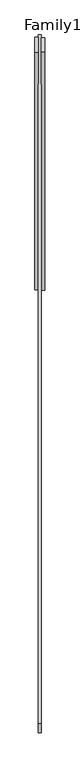
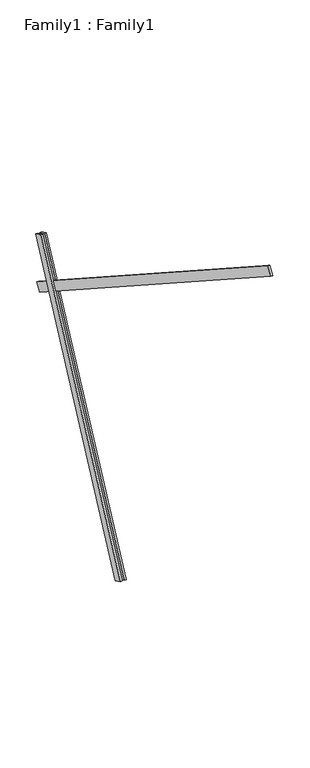
"""IFC4 building model written with IfcOpenShell, lengths in millimetres: proxy geometry, Family1 : Family1."""

import ifcopenshell
import ifcopenshell.guid

model = None  # the IFC model being written
_history = None  # IfcOwnerHistory: only IFC2X3 demands one
_inside = {}  # id of a spatial element -> (the spatial element, [elements in it])
_under = {}  # id of a project, library or spatial element -> (it, [spatial elements below it])
_declared = {}  # id of a project -> (the project, [libraries it declares])
_typed = {}  # id of a type object -> (the type object, [elements of that type])
_made_of = {}  # id of a material, layer set ... -> (it, [elements and type objects made of it])


def new_model(schema):
    """Start an empty IFC model of exactly this schema.

    Asked for "IFC4X3", IfcOpenShell would pick the latest addendum, in which some entities
    have other attributes; the version numbers below select the first issue.
    IFC2X3 requires an IfcOwnerHistory on every rooted entity: one is made here for all.
    """
    global model, _history
    if schema == "IFC4X3":
        model = ifcopenshell.file(schema_version=(4, 3, 0, 0))
    else:
        model = ifcopenshell.file(schema=schema)
    _inside.clear()
    _under.clear()
    _declared.clear()
    _typed.clear()
    _made_of.clear()
    _history = None
    if model.schema == "IFC2X3":
        org = make("IfcOrganization", Name="unknown")
        user = make(
            "IfcPersonAndOrganization",
            ThePerson=make("IfcPerson", FamilyName="unknown"),
            TheOrganization=org,
        )
        app = make(
            "IfcApplication",
            ApplicationDeveloper=org,
            Version="unknown",
            ApplicationFullName="unknown",
            ApplicationIdentifier="unknown",
        )
        _history = make(
            "IfcOwnerHistory",
            OwningUser=user,
            OwningApplication=app,
            ChangeAction="ADDED",
            CreationDate=0,
        )
    return model


def make(cls, **values):
    """One entity of the class cls with the attributes given. An attribute that is None is left unset."""
    return model.create_entity(
        cls, **{name: value for name, value in values.items() if value is not None}
    )


def rooted(cls, **values):
    """An entity with a GlobalId (a new one), such as an element, a storey or a relation."""
    return make(cls, GlobalId=ifcopenshell.guid.new(), OwnerHistory=_history, **values)


def si_unit(unit_type, name, prefix=None):
    """IfcSIUnit, for example si_unit("LENGTHUNIT", "METRE", prefix="MILLI")."""
    return make("IfcSIUnit", UnitType=unit_type, Prefix=prefix, Name=name)


def assignment(units):
    """IfcUnitAssignment: the units of a project."""
    return None if units is None else make("IfcUnitAssignment", Units=units)


def point(xyz):
    """IfcCartesianPoint."""
    return None if xyz is None else make("IfcCartesianPoint", Coordinates=xyz)


def direction(xyz):
    """IfcDirection."""
    return None if xyz is None else make("IfcDirection", DirectionRatios=xyz)


def frame(location, z_axis=None, x_axis=None):
    """IfcAxis2Placement3D, a coordinate frame: its origin and axes. An axis left out is left unset."""
    return make(
        "IfcAxis2Placement3D",
        Location=point(location),
        Axis=direction(z_axis),
        RefDirection=direction(x_axis),
    )


def origin():
    """The frame at (0, 0, 0) with its axes left unset."""
    return frame((0.0, 0.0, 0.0))


def place(relative_to, where):
    """IfcLocalPlacement: puts the frame where relative to a parent placement (None: the world)."""
    return make(
        "IfcLocalPlacement", PlacementRelTo=relative_to, RelativePlacement=where
    )


def context(
    kind, dimensions, precision=None, world=None, true_north=None, identifier=None
):
    """IfcGeometricRepresentationContext, for example the 3D "Model" context."""
    return make(
        "IfcGeometricRepresentationContext",
        ContextIdentifier=identifier,
        ContextType=kind,
        CoordinateSpaceDimension=dimensions,
        Precision=precision,
        WorldCoordinateSystem=world,
        TrueNorth=true_north,
    )


def project(units=None, contexts=None):
    """IfcProject with its units and contexts."""
    return rooted(
        "IfcProject",
        Name="project",
        RepresentationContexts=contexts,
        UnitsInContext=assignment(units),
    )


def spatial(cls, under=None, at=None, **own):
    """A site, building, storey or space (cls), placed at a placement, below another one or the project."""
    s = rooted(cls, ObjectPlacement=at, **own)
    if under is not None:
        _under.setdefault(under.id(), (under, []))[1].append(s)
    return s


def polyline(points):
    """IfcPolyline through the points."""
    return make("IfcPolyline", Points=[point(p) for p in points])


def outline(outer, holes=None, kind="AREA"):
    """IfcArbitraryClosedProfileDef: a profile drawn as a closed curve; with holes, ...WithVoids."""
    if holes is None:
        return make("IfcArbitraryClosedProfileDef", ProfileType=kind, OuterCurve=outer)
    return make(
        "IfcArbitraryProfileDefWithVoids",
        ProfileType=kind,
        OuterCurve=outer,
        InnerCurves=holes,
    )


def extrude(swept, where, along, depth):
    """IfcExtrudedAreaSolid: the profile swept, set in the frame where, extruded along a direction by depth."""
    return make(
        "IfcExtrudedAreaSolid",
        SweptArea=swept,
        Position=where,
        ExtrudedDirection=direction(along),
        Depth=depth,
    )


def shape(context_of_items, identifier, shape_type, items):
    """IfcShapeRepresentation: the items that make up one representation, for example the "Body"."""
    return make(
        "IfcShapeRepresentation",
        ContextOfItems=context_of_items,
        RepresentationIdentifier=identifier,
        RepresentationType=shape_type,
        Items=items,
    )


def source(mapping_origin, context_of_items, identifier, shape_type, items):
    """IfcRepresentationMap: a shape defined once, which mapped items show again and again."""
    return make(
        "IfcRepresentationMap",
        MappingOrigin=mapping_origin,
        MappedRepresentation=shape(context_of_items, identifier, shape_type, items),
    )


def transform(
    local_origin,
    x_axis=None,
    y_axis=None,
    z_axis=None,
    scale=None,
    scale2=None,
    scale3=None,
    uniform=True,
):
    """IfcCartesianTransformationOperator3D, or its non-uniform kind. x_axis, y_axis, z_axis: its Axis1, 2, 3."""
    if uniform:
        return make(
            "IfcCartesianTransformationOperator3D",
            Axis1=direction(x_axis),
            Axis2=direction(y_axis),
            LocalOrigin=point(local_origin),
            Scale=scale,
            Axis3=direction(z_axis),
        )
    return make(
        "IfcCartesianTransformationOperator3DnonUniform",
        Axis1=direction(x_axis),
        Axis2=direction(y_axis),
        LocalOrigin=point(local_origin),
        Scale=scale,
        Axis3=direction(z_axis),
        Scale2=scale2,
        Scale3=scale3,
    )


def mapped(mapping_source, mapping_target):
    """IfcMappedItem: shows the shape of a source again, moved by a transform."""
    return make(
        "IfcMappedItem", MappingSource=mapping_source, MappingTarget=mapping_target
    )


def made_of(thing, what):
    """Note that an element or type object is made of a material, layer set ...; save() writes the relation."""
    if what is not None:
        _made_of.setdefault(what.id(), (what, []))[1].append(thing)
    return thing


def element(
    cls,
    number,
    at=None,
    inside=None,
    cuts=None,
    type_object=None,
    material=None,
    context=None,
    identifier="Body",
    shape_type=None,
    held_by="IfcProductDefinitionShape",
    body=None,
    shapes=None,
    **own,
):
    """One element of the class cls, such as IfcWall. Its Tag is "e" and its number.

    at: its placement. inside: the storey or other place that contains it. cuts: it is an
    opening in that element (IfcRelVoidsElement). A single representation is given by context,
    identifier, shape_type and body (its items); several are given by shapes. held_by: the class
    of the entity that holds the representations. save() writes the other relations.
    """
    e = rooted(cls, Tag="e%d" % number, ObjectPlacement=at, **own)
    if body is not None:
        shapes = [shape(context, identifier, shape_type, body)]
    if shapes is not None:
        e.Representation = make(held_by, Representations=shapes)
    if inside is not None:
        _inside.setdefault(inside.id(), (inside, []))[1].append(e)
    if cuts is not None:
        rooted(
            "IfcRelVoidsElement", RelatingBuildingElement=cuts, RelatedOpeningElement=e
        )
    if type_object is not None:
        _typed.setdefault(type_object.id(), (type_object, []))[1].append(e)
    return made_of(e, material)


def aggregate(whole, parts):
    """IfcRelAggregates: a whole, such as a stair, and the parts it consists of."""
    return rooted("IfcRelAggregates", RelatingObject=whole, RelatedObjects=parts)


def save(model, path):
    """Write the relations noted so far, then the file.

    IfcRelAggregates (storeys below a building ...), IfcRelContainedInSpatialStructure (elements
    in a storey), IfcRelDefinesByType, IfcRelAssociatesMaterial and IfcRelDeclares: one each for
    every whole, place, type object, material and project.
    """
    for whole, parts in _under.values():
        aggregate(whole, parts)
    for where, things in _inside.values():
        rooted(
            "IfcRelContainedInSpatialStructure",
            RelatedElements=things,
            RelatingStructure=where,
        )
    for kind, things in _typed.values():
        rooted("IfcRelDefinesByType", RelatedObjects=things, RelatingType=kind)
    for what, things in _made_of.values():
        rooted("IfcRelAssociatesMaterial", RelatedObjects=things, RelatingMaterial=what)
    for by, libraries in _declared.values():
        rooted("IfcRelDeclares", RelatingContext=by, RelatedDefinitions=libraries)
    model.write(path)


def family1_family1_56e98a2f(model_context):
    return source(origin(), model_context, "Body", "SweptSolid", [
        extrude(outline(polyline([(0.0, 0.0), (0.0, -20.0), (-100.0000001, -20.0), (-100.0000001, 0.0), (0.0, 0.0)])), frame((-30.0, 46.3241747, -22.5938096), z_axis=(0.0, 0.4383711467890692, 0.8987940462991711), x_axis=(0.0, 0.8987940462991711, -0.4383711467890692)), (0.0, 0.0, 1.0), 3300.0),
        extrude(outline(polyline([(0.0, 0.0), (0.0, -20.0), (-99.9999999, -20.0), (-99.9999999, 0.0), (0.0, 0.0)])), frame((10.0, 45.270232, -22.0797674), z_axis=(0.0, 0.4383711467890692, 0.8987940462991711), x_axis=(0.0, 0.8987940462991711, -0.4383711467890692)), (0.0, 0.0, 1.0), 3300.0),
        extrude(outline(polyline([(0.0, -20.0), (0.0, 0.0), (5000.0, 0.0), (5000.0, -20.0), (0.0, -20.0)])), frame((-10.0, -2740.0871816, 5033.5469306), z_axis=(0.0, 0.5446390350150292, 0.8386705679454228), x_axis=(0.0, 0.8386705679454228, -0.5446390350150292)), (0.0, 0.0, 1.0), 100.0),
    ])


if __name__ == "__main__":
    model = new_model("IFC4")
    model_context = context("Model", 3, world=origin())
    ifc_project = project(units=[si_unit("LENGTHUNIT", "METRE", prefix="MILLI")], contexts=[model_context])
    site = spatial("IfcSite", under=ifc_project)
    building = spatial("IfcBuilding", under=site)
    placement = place(None, origin())
    family1_family1_shape = family1_family1_56e98a2f(model_context)
    element("IfcBuildingElementProxy", 1, Name="Family1 : Family1", ObjectType="Family1 : Family1", at=placement, inside=building, context=model_context, shape_type="MappedRepresentation", body=[
        mapped(family1_family1_shape, transform((0.0, 0.0, 0.0), x_axis=(1.0, 0.0, 0.0), y_axis=(0.0, 1.0, 0.0), z_axis=(0.0, 0.0, 1.0))),
    ])
    save(model, "model.ifc")
